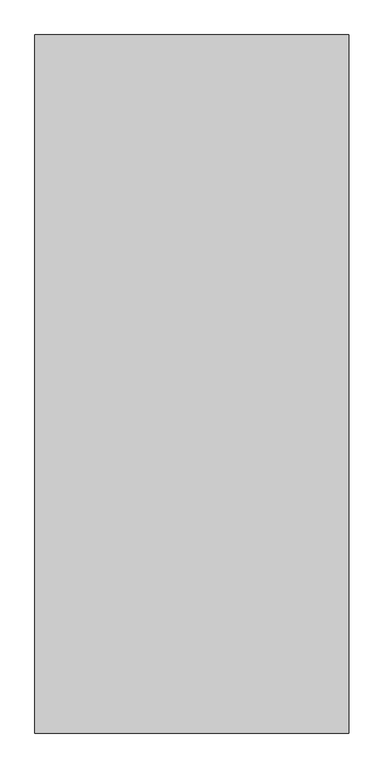
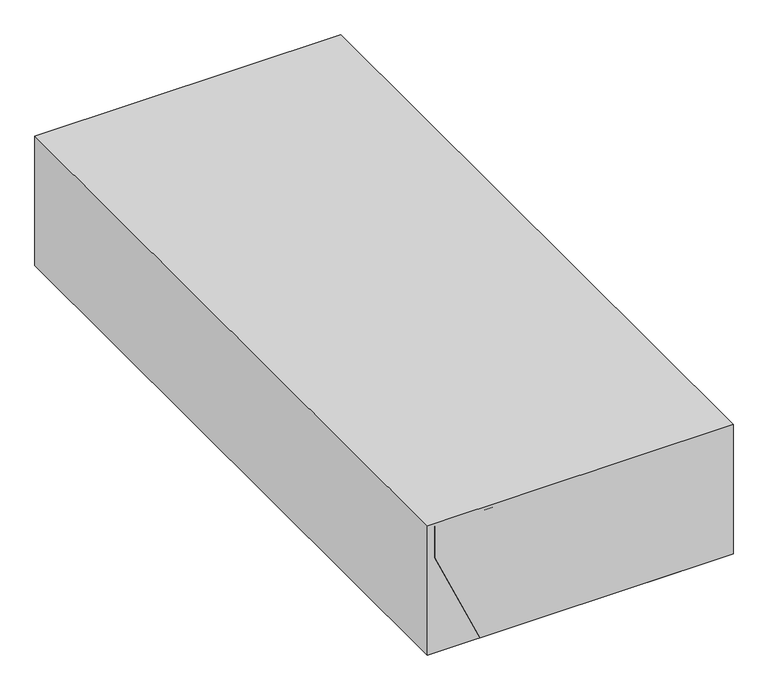
"""IFC4 building model written with IfcOpenShell, lengths in millimetres: proxy geometry."""

from ifc_helpers import new_model, si_unit, point, frame, frame_2d, origin, place, context, project, spatial, polyline, circle_curve, trimmed, segment, composite_curve, outline, extrude, faceted_brep, source, transform, mapped, element, save


def specialty_equipment_4ebd678b(model_context):
    return source(origin(), model_context, "Body", "SolidModel", [
        extrude(outline(polyline([(425.45, 0.0), (-425.45, 0.0), (-425.45, 1892.3), (425.45, 1892.3), (425.45, 0.0)])), frame((0.0, 0.0, -404.0), z_axis=(0.0, 0.0, 1.0), x_axis=(1.0, 0.0, 0.0)), (0.0, 0.0, 1.0), 381.0),
        extrude(outline(composite_curve([segment(trimmed(circle_curve(frame_2d((0.0, -51.9999999)), 52.0), [point((0.0, -104.0))], [point((0.0, 0.0))], False, "CARTESIAN"), True, "CONTINUOUS"), segment(trimmed(circle_curve(frame_2d((0.0, -51.9999999)), 52.0), [point((0.0, 0.0))], [point((0.0, -104.0))], False, "CARTESIAN"), True, "CONTINUOUS")], self_intersect=False)), frame((318.6952306, 606.3127496, -317.9763398), z_axis=(-0.911982656783314, 0.0, 0.41022875780038653), x_axis=(0.0, 1.0, 0.0)), (0.0, 0.0, 1.0), 5.0),
        extrude(outline(composite_curve([segment(trimmed(circle_curve(frame_2d((0.0, -52.0)), 52.0), [point((0.0, -104.0))], [point((0.0, 0.0))], False, "CARTESIAN"), True, "CONTINUOUS"), segment(trimmed(circle_curve(frame_2d((0.0, -52.0)), 52.0), [point((0.0, 0.0))], [point((0.0, -104.0))], False, "CARTESIAN"), True, "CONTINUOUS")], self_intersect=False)), frame((-318.6297828, 606.3087946, -318.1218374), z_axis=(0.9119826567833238, 0.0, 0.41022875780036466), x_axis=(0.0, -1.0, 0.0)), (0.0, 0.0, 1.0), 1.0),
        extrude(outline(composite_curve([segment(trimmed(circle_curve(frame_2d((0.0, -6.4)), 6.4), [point((0.0, -12.8))], [point((0.0, 0.0))], False, "CARTESIAN"), True, "CONTINUOUS"), segment(trimmed(circle_curve(frame_2d((0.0, -6.4)), 6.4), [point((0.0, 0.0))], [point((0.0, -12.8))], False, "CARTESIAN"), True, "CONTINUOUS")], self_intersect=False)), frame((-364.4417883, 53.51472, -184.2647645), z_axis=(0.9119826567833238, 0.0, 0.4102287578003647), x_axis=(0.0, -1.0, 0.0)), (0.0, 0.0, 1.0), 30.3526457),
        extrude(outline(polyline([(-315.5, 668.0), (315.5, 668.0), (315.5, 90.0), (-315.5, 90.0), (-315.5, 668.0)])), frame((0.0, 0.0, -87.0), z_axis=(0.0, 0.0, 1.0), x_axis=(1.0, 0.0, 0.0)), (0.0, 0.0, 1.0), 10.0),
        extrude(outline(polyline([(-365.5, 718.0), (365.5, 718.0), (365.5, 40.0), (-365.5, 40.0), (-365.5, 718.0)]), holes=[polyline([(-315.5, 668.0), (-315.5, 90.0), (315.5, 90.0), (315.5, 668.0), (-315.5, 668.0)])]), frame((0.0, 0.0, -87.0), z_axis=(0.0, 0.0, 1.0), x_axis=(1.0, 0.0, 0.0)), (0.0, 0.0, 1.0), 10.0),
        faceted_brep([(-405.5, 0.0, -32.0), (-405.5, 0.0, -125.0), (-280.0, 0.0, -404.0), (280.0, 0.0, -404.0), (405.5, 0.0, -125.0), (405.5, 0.0, -32.0), (-405.5, 758.0, -32.0), (405.5, 758.0, -32.0), (405.5, 758.0, -125.0), (280.0, 758.0, -404.0), (-280.0, 758.0, -404.0), (-405.5, 758.0, -125.0), (-373.1861912, 35.5106017, -196.8370729), (-373.1861912, 70.5106017, -196.8370729), (-385.493054, 70.5106017, -169.4775932), (-385.493054, 35.5106017, -169.4775932), (378.8178285, 88.5161385, -184.3173375), (378.8178285, 28.5161385, -184.3173375), (395.2269788, 28.5161385, -147.8380312), (395.2269788, 88.5161385, -147.8380312), (-365.5, 718.0, -32.0), (365.5, 718.0, -32.0), (365.5, 40.0, -32.0), (-365.5, 40.0, -32.0), (365.5, 718.0, -102.0), (-365.5, 718.0, -102.0), (-265.5, 718.0, -335.4549429), (265.5, 718.0, -335.4549429), (365.5, 40.0, -102.0), (265.5, 40.0, -335.4549429), (-265.5, 40.0, -335.4549429), (-365.5, 40.0, -102.0), (361.2872596, 28.5161385, -176.4317232), (361.2872596, 88.5161385, -176.4317232), (377.6964099, 88.5161385, -139.9524169), (377.6964099, 28.5161385, -139.9524169), (-333.5287057, 70.5106017, -178.9983115), (-333.5287057, 35.5106017, -178.9983115), (-345.8355684, 35.5106017, -151.6388318), (-345.8355684, 70.5106017, -151.6388318)], [[[0, 1, 2, 3, 4, 5]], [[6, 7, 8, 9, 10, 11]], [[1, 0, 6, 11]], [[2, 1, 11, 10], [12, 13, 14, 15]], [[3, 2, 10, 9]], [[4, 3, 9, 8], [16, 17, 18, 19]], [[5, 4, 8, 7]], [[0, 5, 7, 6], [20, 21, 22, 23]], [[24, 21, 20, 25, 26, 27]], [[28, 29, 30, 31, 23, 22]], [[21, 24, 28, 22]], [[25, 20, 23, 31]], [[26, 25, 31, 30]], [[27, 26, 30, 29]], [[24, 27, 29, 28]], [[32, 33, 34, 35]], [[33, 32, 17, 16]], [[34, 33, 16, 19]], [[35, 34, 19, 18]], [[32, 35, 18, 17]], [[36, 37, 38, 39]], [[37, 36, 13, 12]], [[38, 37, 12, 15]], [[39, 38, 15, 14]], [[36, 39, 14, 13]]]),
        extrude(outline(composite_curve([segment(trimmed(circle_curve(frame_2d((-294.2630153, 0.0)), 51.0), [point((-243.2630153, 0.0))], [point((-345.2630153, 0.0))], False, "CARTESIAN"), True, "CONTINUOUS"), segment(trimmed(circle_curve(frame_2d((-294.2630153, 0.0)), 51.0), [point((-345.2630153, 0.0))], [point((-243.2630153, 0.0))], False, "CARTESIAN"), True, "CONTINUOUS")], self_intersect=False)), frame((0.0, 793.0, 0.0), z_axis=(0.0, 1.0, 0.0), x_axis=(0.0, 0.0, 1.0)), (0.0, 0.0, 1.0), 30.0),
        extrude(outline(composite_curve([segment(trimmed(circle_curve(frame_2d((-294.2630153, 0.0)), 84.0), [point((-378.2630153, 0.0))], [point((-210.2630153, 0.0))], False, "CARTESIAN"), True, "CONTINUOUS"), segment(trimmed(circle_curve(frame_2d((-294.2630153, 0.0)), 84.0), [point((-210.2630153, 0.0))], [point((-378.2630153, 0.0))], False, "CARTESIAN"), True, "CONTINUOUS")], self_intersect=False)), frame((0.0, 758.0, 0.0), z_axis=(0.0, 1.0, 0.0), x_axis=(0.0, 0.0, 1.0)), (0.0, 0.0, 1.0), 35.0),
        extrude(outline(polyline([(-87.0, 360.5), (-87.0, -360.5), (-100.9742029, -360.5), (-330.4549429, -262.2023426), (-330.4549429, 262.2023426), (-100.9742029, 360.5), (-87.0, 360.5)])), frame((0.0, 45.0, 0.0), z_axis=(0.0, 1.0, 0.0), x_axis=(0.0, 0.0, 1.0)), (0.0, 0.0, 1.0), 5.0),
        extrude(outline(polyline([(-335.4549429, 265.5), (-102.0, 365.5), (-87.0, 365.5), (-87.0, 360.5), (-100.9742029, 360.5), (-330.4549429, 262.2023426), (-330.4549429, -262.2023426), (-100.9742029, -360.5), (-87.0, -360.5), (-87.0, -365.5), (-102.0, -365.5), (-335.4549429, -265.5), (-335.4549429, 265.5)])), frame((0.0, 45.0, 0.0), z_axis=(0.0, 1.0, 0.0), x_axis=(0.0, 0.0, 1.0)), (0.0, 0.0, 1.0), 673.0),
        extrude(outline(polyline([(-335.4549429, 265.5), (-102.0, 365.5), (-87.0, 365.5), (-87.0, -365.5), (-102.0, -365.5), (-335.4549429, -265.5), (-335.4549429, 265.5)])), frame((0.0, 40.0, 0.0), z_axis=(0.0, 1.0, 0.0), x_axis=(0.0, 0.0, 1.0)), (0.0, 0.0, 1.0), 5.0),
    ])


if __name__ == "__main__":
    model = new_model("IFC4")
    model_context = context("Model", 3, world=origin())
    ifc_project = project(units=[si_unit("LENGTHUNIT", "METRE", prefix="MILLI")], contexts=[model_context])
    site = spatial("IfcSite", under=ifc_project)
    building = spatial("IfcBuilding", under=site)
    placement = place(None, origin())
    specialty_equipment_shape = specialty_equipment_4ebd678b(model_context)
    element("IfcBuildingElementProxy", 1, Name="Specialty Equipment", at=placement, inside=building, context=model_context, shape_type="MappedRepresentation", body=[
        mapped(specialty_equipment_shape, transform((0.0, 0.0, 0.0), x_axis=(1.0, 0.0, 0.0), y_axis=(0.0, 1.0, 0.0), z_axis=(0.0, 0.0, 1.0))),
    ])
    save(model, "model.ifc")
